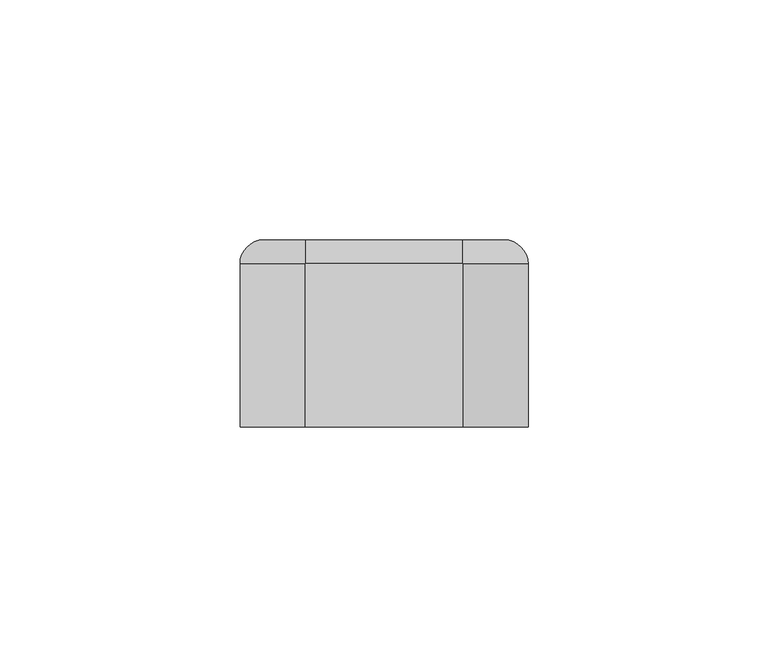
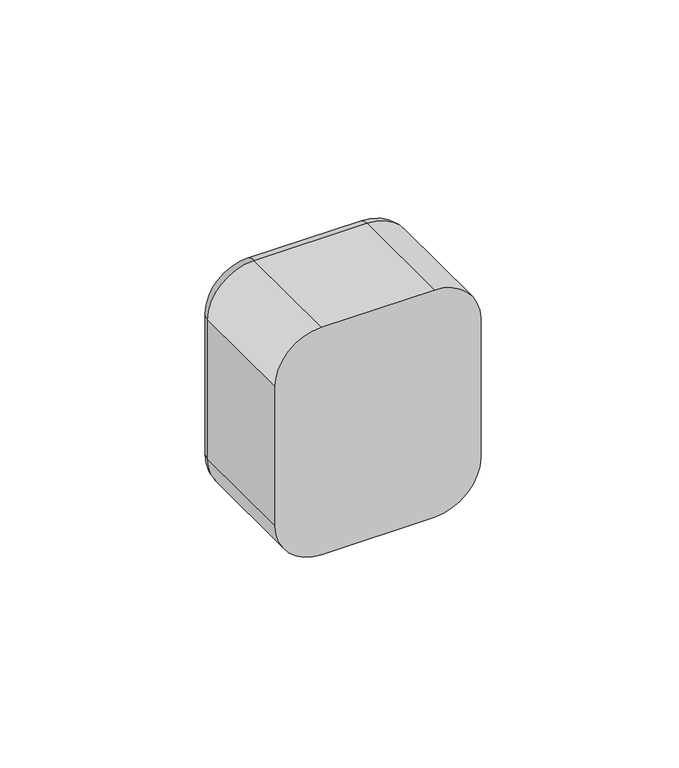
"""IFC4 building model written with IfcOpenShell, lengths in millimetres: electric appliance geometry."""

from ifc_helpers import new_model, si_unit, point, frame, origin, place, context, project, spatial, polyline, circle_curve, ellipse_curve, trimmed, outline, extrude, source, transform, mapped, element, save
from ifc_brep_helpers import plane_surface, cylinder_surface, revolved_surface, advanced_brep


def electric_appliance_d319d482(model_context):
    return source(origin(), model_context, "Body", "SolidModel", [
        advanced_brep(
        [(16.4328665, 39.0, 30.0), (25.0, 39.0, 21.4328665), (25.0, 39.0, -21.4328665), (16.4328665, 39.0, -30.0), (-16.4328665, 39.0, -30.0), (-25.0, 39.0, -21.4328665), (-25.0, 39.0, 21.4328665), (-16.4328665, 39.0, 30.0), (22.5, 39.0, 22.5), (-22.5, 39.0, 22.5), (-22.5, 39.0, -22.5), (22.5, 39.0, -22.5), (-16.4328665, 0.0, 35.0), (-30.0, 0.0, 21.4328665), (-30.0, 0.0, -21.4328665), (-16.4328665, 0.0, -35.0), (16.4328665, 0.0, -35.0), (30.0, 0.0, -21.4328665), (30.0, 0.0, 21.4328665), (16.4328665, 0.0, 35.0), (22.5, 2.0, -22.5), (22.5, 2.0, 22.5), (-22.5, 2.0, -22.5), (-22.5, 2.0, 22.5), (-30.0, 34.0, 21.4328665), (-30.0, 34.0, -21.4328665), (-16.4328665, 34.0, -35.0), (16.4328665, 34.0, -35.0), (30.0, 34.0, -21.4328665), (30.0, 34.0, 21.4328665), (16.4328665, 34.0000072, 35.0), (-16.4328665, 34.0, 35.0)],
        [
            (0, 1, circle_curve(frame((16.4328665, 39.0, 21.4328665), z_axis=(0.0, 1.0, 0.0), x_axis=(0.0, 0.0, 1.0)), 8.5671335)),
            (1, 2),
            (2, 3, circle_curve(frame((16.4328665, 39.0, -21.4328665), z_axis=(0.0, 1.0, 0.0), x_axis=(1.0, 0.0, 0.0)), 8.5671335)),
            (3, 4),
            (4, 5, circle_curve(frame((-16.4328665, 39.0, -21.4328665), z_axis=(0.0, 1.0, 0.0), x_axis=(0.0, 0.0, -1.0)), 8.5671335)),
            (5, 6),
            (6, 7, circle_curve(frame((-16.4328665, 39.0, 21.4328665), z_axis=(0.0, 1.0, 0.0), x_axis=(-1.0, 0.0, 0.0)), 8.5671335)),
            (7, 0),
            (8, 9),
            (9, 10),
            (10, 11),
            (11, 8),
            (12, 13, circle_curve(frame((-16.4328665, 0.0, 21.4328665), z_axis=(0.0, -1.0, 0.0), x_axis=(1.0, 0.0, 0.0)), 13.5671335)),
            (13, 14),
            (14, 15, circle_curve(frame((-16.4328665, 0.0, -21.4328665), z_axis=(0.0, -1.0, 0.0), x_axis=(1.0, 0.0, 0.0)), 13.5671335)),
            (15, 16),
            (16, 17, circle_curve(frame((16.4328665, 0.0, -21.4328665), z_axis=(0.0, -1.0, 0.0), x_axis=(1.0, 0.0, 0.0)), 13.5671335)),
            (17, 18),
            (18, 19, circle_curve(frame((16.4328665, 0.0, 21.4328665), z_axis=(0.0, -1.0, 0.0), x_axis=(1.0, 0.0, 0.0)), 13.5671335)),
            (19, 12),
            (11, 20),
            (20, 21),
            (21, 8),
            (10, 22),
            (22, 20),
            (9, 23),
            (23, 22),
            (21, 23),
            (13, 24),
            (24, 25),
            (25, 14),
            (15, 26),
            (26, 27),
            (27, 16),
            (17, 28),
            (28, 29),
            (29, 18),
            (19, 30),
            (30, 31),
            (31, 12),
            (31, 24, circle_curve(frame((-16.4328665, 34.0, 21.4328665), z_axis=(0.0, -1.0, 0.0), x_axis=(1.0, 0.0, 0.0)), 13.5671335)),
            (25, 26, circle_curve(frame((-16.4328665, 34.0, -21.4328665), z_axis=(0.0, -1.0, 0.0), x_axis=(1.0, 0.0, 0.0)), 13.5671335)),
            (27, 28, circle_curve(frame((16.4328665, 34.0, -21.4328665), z_axis=(0.0, -1.0, 0.0), x_axis=(1.0, 0.0, 0.0)), 13.5671335)),
            (29, 30, circle_curve(frame((16.4328665, 34.0, 21.4328665), z_axis=(0.0, -1.0, 0.0), x_axis=(1.0, 0.0, 0.0)), 13.5671335)),
            (29, 1, circle_curve(frame((25.0, 34.0, 21.4328665), z_axis=(0.0, 0.0, 1.0), x_axis=(0.0, 1.0, 0.0)), 5.0)),
            (0, 30, circle_curve(frame((16.4328665, 34.0, 30.0), z_axis=(1.0, 0.0, 0.0), x_axis=(0.0, 1.0, 0.0)), 5.0)),
            (28, 2, circle_curve(frame((25.0, 34.0, -21.4328665), z_axis=(0.0, 0.0, 1.0), x_axis=(0.0, 1.0, 0.0)), 5.0)),
            (27, 3, circle_curve(frame((16.4328665, 34.0, -30.0), z_axis=(1.0, 0.0, 0.0), x_axis=(0.0, 1.0, 0.0)), 5.0)),
            (26, 4, circle_curve(frame((-16.4328665, 34.0, -30.0), z_axis=(1.0, 0.0, 0.0), x_axis=(0.0, 1.0, 0.0)), 5.0)),
            (25, 5, circle_curve(frame((-25.0, 34.0, -21.4328665), z_axis=(0.0, 0.0, -1.0), x_axis=(0.0, 1.0, 0.0)), 5.0)),
            (24, 6, circle_curve(frame((-25.0, 34.0, 21.4328665), z_axis=(0.0, 0.0, -1.0), x_axis=(0.0, 1.0, 0.0)), 5.0)),
            (31, 7, circle_curve(frame((-16.4328665, 34.0, 30.0), z_axis=(-1.0, 0.0, 0.0), x_axis=(0.0, 1.0, 0.0)), 5.0)),
        ],
        [
            plane_surface(frame((22.5, 39.0, 6.9412233), z_axis=(0.0, 1.0, 0.0), x_axis=(0.0, 0.0, 1.0))),
            plane_surface(frame((22.5, 0.0, 6.9412233), z_axis=(0.0, -1.0, 0.0), x_axis=(0.0, 0.0, -1.0))),
            plane_surface(frame((22.5, 0.0, 22.5), z_axis=(-1.0, 0.0, 0.0), x_axis=(0.0, 1.0, 0.0))),
            plane_surface(frame((22.5, 0.0, -22.5), z_axis=(0.0, 0.0, 1.0), x_axis=(0.0, 1.0, 0.0))),
            plane_surface(frame((-22.5, 0.0, -22.5), z_axis=(1.0, 0.0, 0.0), x_axis=(0.0, 1.0, 0.0))),
            plane_surface(frame((-22.5, 0.0, 22.5), z_axis=(0.0, 0.0, -1.0), x_axis=(0.0, 1.0, 0.0))),
            plane_surface(frame((-30.0, 0.0, 21.4328665), z_axis=(-1.0, 0.0, 0.0), x_axis=(0.0, 1.0, 0.0))),
            plane_surface(frame((-16.4328665, 0.0, -35.0), z_axis=(0.0, 0.0, -1.0), x_axis=(0.0, 1.0, 0.0))),
            plane_surface(frame((30.0, 0.0, -21.4328665), z_axis=(1.0, 0.0, 0.0), x_axis=(0.0, 1.0, 0.0))),
            plane_surface(frame((16.4328665, 0.0, 35.0), z_axis=(0.0, 0.0, 1.0), x_axis=(0.0, 1.0, 0.0))),
            cylinder_surface(frame((-16.4328665, 0.0, 21.4328665), z_axis=(0.0, -1.0, 0.0), x_axis=(1.0, 0.0, 0.0)), 13.5671335),
            cylinder_surface(frame((-16.4328665, 0.0, -21.4328665), z_axis=(0.0, -1.0, 0.0), x_axis=(1.0, 0.0, 0.0)), 13.5671335),
            cylinder_surface(frame((16.4328665, 0.0, -21.4328665), z_axis=(0.0, -1.0, 0.0), x_axis=(1.0, 0.0, 0.0)), 13.5671335),
            cylinder_surface(frame((16.4328665, 0.0, 21.4328665), z_axis=(0.0, -1.0, 0.0), x_axis=(1.0, 0.0, 0.0)), 13.5671335),
            plane_surface(frame((-22.5, 2.0, 31.0), z_axis=(0.0, 1.0, 0.0), x_axis=(0.0, 0.0, 1.0))),
            revolved_surface(trimmed(ellipse_curve(frame((16.4328665, 34.0, 30.0), z_axis=(-1.0, 0.0, 0.0), x_axis=(0.0, 1.0, 0.0)), 5.0, 5.0), [point((16.4328665, 34.0, 35.0))], [point((16.4328665, 39.0, 30.0))], True, "CARTESIAN"), (16.4328665, 39.0, 21.4328665), (0.0, 1.0, 0.0)),
            cylinder_surface(frame((25.0, 34.0, 21.4328665), z_axis=(0.0, 0.0, -1.0), x_axis=(0.0, 1.0, 0.0)), 5.0),
            revolved_surface(trimmed(ellipse_curve(frame((25.0, 34.0, -21.4328665), z_axis=(0.0, 0.0, 1.0), x_axis=(0.0, 1.0, 0.0)), 5.0, 5.0), [point((30.0, 34.0, -21.4328665))], [point((25.0, 39.0, -21.4328665))], True, "CARTESIAN"), (16.4328665, 39.0, -21.4328665), (0.0, 1.0, 0.0)),
            cylinder_surface(frame((16.4328665, 34.0, -30.0), z_axis=(-1.0, 0.0, 0.0), x_axis=(0.0, 1.0, 0.0)), 5.0),
            revolved_surface(trimmed(ellipse_curve(frame((-16.4328665, 34.0, -30.0), z_axis=(1.0, 0.0, 0.0), x_axis=(0.0, 1.0, 0.0)), 5.0, 5.0), [point((-16.4328665, 34.0, -35.0))], [point((-16.4328665, 39.0, -30.0))], True, "CARTESIAN"), (-16.4328665, 39.0, -21.4328665), (0.0, 1.0, 0.0)),
            cylinder_surface(frame((-25.0, 34.0, -21.4328665), z_axis=(0.0, 0.0, 1.0), x_axis=(0.0, 1.0, 0.0)), 5.0),
            revolved_surface(trimmed(ellipse_curve(frame((-25.0, 34.0, 21.4328665), z_axis=(0.0, 0.0, -1.0), x_axis=(0.0, 1.0, 0.0)), 5.0, 5.0), [point((-30.0, 34.0, 21.4328665))], [point((-25.0, 39.0, 21.4328665))], True, "CARTESIAN"), (-16.4328665, 39.0, 21.4328665), (0.0, 1.0, 0.0)),
            cylinder_surface(frame((-16.4328665, 34.0, 30.0), z_axis=(1.0, 0.0, 0.0), x_axis=(0.0, 1.0, 0.0)), 5.0),
        ],
        [
            (0, [[1, 2, 3, 4, 5, 6, 7, 8], [9, 10, 11, 12]]),
            (1, [[13, 14, 15, 16, 17, 18, 19, 20]]),
            (2, [[-12, 21, 22, 23]]),
            (3, [[-11, 24, 25, -21]]),
            (4, [[-10, 26, 27, -24]]),
            (5, [[-9, -23, 28, -26]]),
            (6, [[-14, 29, 30, 31]]),
            (7, [[-16, 32, 33, 34]]),
            (8, [[-18, 35, 36, 37]]),
            (9, [[-20, 38, 39, 40]]),
            (10, [[-13, -40, 41, -29]]),
            (11, [[-15, -31, 42, -32]]),
            (12, [[-17, -34, 43, -35]]),
            (13, [[-19, -37, 44, -38]]),
            (14, [[-22, -25, -27, -28]]),
            (15, [[45, -1, 46, -44]]),
            (16, [[-45, -36, 47, -2]]),
            (17, [[-47, -43, 48, -3]]),
            (18, [[-48, -33, 49, -4]]),
            (19, [[-49, -42, 50, -5]]),
            (20, [[-50, -30, 51, -6]]),
            (21, [[-51, -41, 52, -7]]),
            (22, [[-46, -8, -52, -39]]),
        ],
    ),
        extrude(outline(polyline([(3.5, 31.0), (-3.5, 31.0), (-3.5, 36.0), (3.5, 36.0), (3.5, 31.0)])), frame((0.0, 0.0, 4.0), z_axis=(0.0, 0.0, 1.0), x_axis=(1.0, 0.0, 0.0)), (0.0, 0.0, 1.0), 1.0),
        extrude(outline(polyline([(22.5, 2.0), (-22.5, 2.0), (-22.5, 31.0), (22.5, 31.0), (22.5, 2.0)])), frame((0.0, 0.0, -22.5), z_axis=(0.0, 0.0, 1.0), x_axis=(1.0, 0.0, 0.0)), (0.0, 0.0, 1.0), 45.0),
        extrude(outline(polyline([(22.5, 22.5), (22.5, -22.5), (-22.5, -22.5), (-22.5, 22.5), (22.5, 22.5)]), holes=[polyline([(-6.0, -6.5), (8.0, -6.5), (8.0, 6.5), (-6.0, 6.5), (-6.0, -6.5)])]), frame((0.0, 31.0, 0.0), z_axis=(0.0, 1.0, 0.0), x_axis=(0.0, 0.0, 1.0)), (0.0, 0.0, 1.0), 8.0),
        extrude(outline(polyline([(7.8, 6.3), (7.8, -6.3), (-5.8, -6.3), (-5.8, 6.3), (7.8, 6.3)]), holes=[polyline([(-3.5, -3.5), (-2.0, -3.5), (-2.0, -5.0), (5.0, -5.0), (5.0, 5.0), (-2.0, 5.0), (-2.0, 3.5), (-3.5, 3.5), (-3.5, 2.0), (-5.0, 2.0), (-5.0, -2.0), (-3.5, -2.0), (-3.5, -3.5)])]), frame((0.0, 31.0, 0.0), z_axis=(0.0, 1.0, 0.0), x_axis=(0.0, 0.0, 1.0)), (0.0, 0.0, 1.0), 8.0),
    ])


if __name__ == "__main__":
    model = new_model("IFC4")
    model_context = context("Model", 3, world=origin())
    ifc_project = project(units=[si_unit("LENGTHUNIT", "METRE", prefix="MILLI")], contexts=[model_context])
    site = spatial("IfcSite", under=ifc_project)
    building = spatial("IfcBuilding", under=site)
    placement = place(None, origin())
    electric_appliance_shape = electric_appliance_d319d482(model_context)
    element("IfcElectricAppliance", 1, at=placement, inside=building, context=model_context, shape_type="MappedRepresentation", body=[
        mapped(electric_appliance_shape, transform((0.0, 0.0, 0.0), x_axis=(1.0, 0.0, 0.0), y_axis=(0.0, 1.0, 0.0), z_axis=(0.0, 0.0, 1.0))),
    ])
    save(model, "model.ifc")
